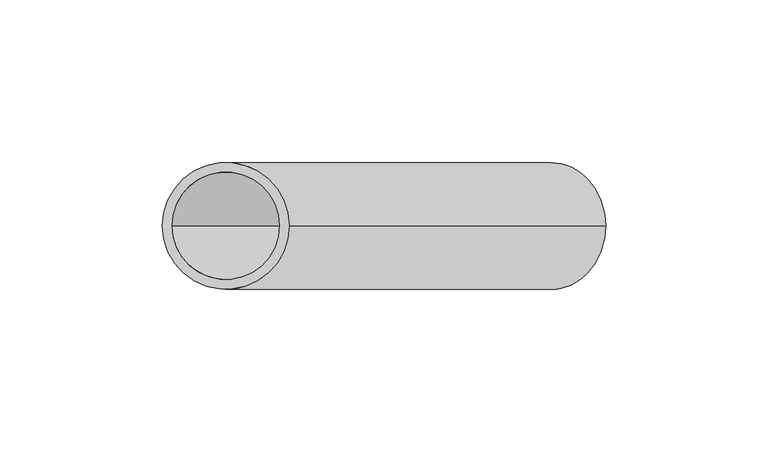
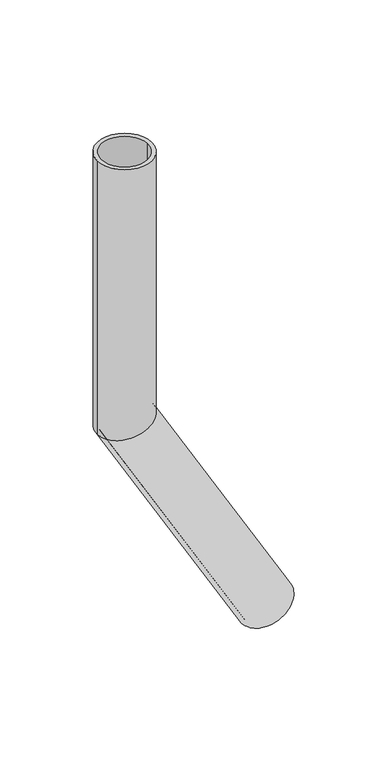
"""IFC4 building model written with IfcOpenShell, lengths in millimetres: beam geometry."""

from ifc_helpers import new_model, si_unit, frame, origin, place, context, project, spatial, polyline, circle_curve, ellipse_curve, source, transform, mapped, element, save
from ifc_brep_helpers import plane_surface, cylinder_surface, revolved_surface, advanced_brep


def beam_cea5e1e0(model_context):
    return source(origin(), model_context, "Body", "AdvancedBrep", [
        advanced_brep(
        [(116.8874954, 0.0, -363.4550808), (83.1125046, 0.0, -382.9550808), (114.2894192, 0.0, -364.9550808), (85.7105808, 0.0, -381.4550808), (19.5, 0.0, 0.0), (-19.5, 0.0, 0.0), (16.5, 0.0, 0.0), (-16.5, 0.0, 0.0), (16.5, 0.0, -195.5788383), (0.0, -16.5, -200.0), (-16.5, 0.0, -204.4211617), (0.0, 16.5, -200.0), (19.5, 0.0, -194.7749907), (-19.5, 0.0, -205.2250093)],
        [
            (0, 1, circle_curve(frame((100.0, 0.0, -373.2050808), z_axis=(0.5000000000000633, 0.0, -0.8660254037844022), x_axis=(-0.8660254037844022, 0.0, -0.5000000000000633)), 19.5)),
            (1, 0, circle_curve(frame((100.0, 0.0, -373.2050808), z_axis=(0.5000000000000633, 0.0, -0.8660254037844022), x_axis=(-0.8660254037844022, 0.0, -0.5000000000000633)), 19.5)),
            (2, 3, circle_curve(frame((100.0, 0.0, -373.2050808), z_axis=(-0.5000000000000633, 0.0, 0.8660254037844022), x_axis=(-0.8660254037844022, 0.0, -0.5000000000000633)), 16.5)),
            (3, 2, circle_curve(frame((100.0, 0.0, -373.2050808), z_axis=(-0.5000000000000633, 0.0, 0.8660254037844022), x_axis=(-0.8660254037844022, 0.0, -0.5000000000000633)), 16.5)),
            (4, 5, circle_curve(frame((0.0, 0.0, 0.0), z_axis=(0.0, 0.0, 1.0), x_axis=(-1.0, 0.0, 0.0)), 19.5)),
            (5, 4, circle_curve(frame((0.0, 0.0, 0.0), z_axis=(0.0, 0.0, 1.0), x_axis=(-1.0, 0.0, 0.0)), 19.5)),
            (6, 7, circle_curve(frame((0.0, 0.0, 0.0), z_axis=(0.0, 0.0, -1.0), x_axis=(-1.0, 0.0, 0.0)), 16.5)),
            (7, 6, circle_curve(frame((0.0, 0.0, 0.0), z_axis=(0.0, 0.0, -1.0), x_axis=(-1.0, 0.0, 0.0)), 16.5)),
            (6, 8),
            (8, 9, ellipse_curve(frame((0.0, 0.0, -200.0), z_axis=(0.25881904510255604, 0.0, -0.9659258262890589), x_axis=(0.9659258262890589, 0.0, 0.25881904510255593)), 17.082057, 16.5)),
            (9, 10, ellipse_curve(frame((0.0, 0.0, -200.0), z_axis=(0.25881904510255604, 0.0, -0.9659258262890589), x_axis=(0.9659258262890589, 0.0, 0.25881904510255593)), 17.082057, 16.5)),
            (10, 7),
            (10, 11, ellipse_curve(frame((0.0, 0.0, -200.0), z_axis=(0.25881904510255604, 0.0, -0.9659258262890589), x_axis=(0.9659258262890589, 0.0, 0.25881904510255593)), 17.082057, 16.5)),
            (11, 8, ellipse_curve(frame((0.0, 0.0, -200.0), z_axis=(0.25881904510255604, 0.0, -0.9659258262890589), x_axis=(0.9659258262890589, 0.0, 0.25881904510255593)), 17.082057, 16.5)),
            (4, 12),
            (12, 13, ellipse_curve(frame((0.0, 0.0, -200.0), z_axis=(-0.25881904510255604, 0.0, 0.9659258262890589), x_axis=(-0.9659258262890589, 0.0, -0.25881904510255593)), 20.1878855, 19.5)),
            (13, 5),
            (13, 12, ellipse_curve(frame((0.0, 0.0, -200.0), z_axis=(-0.25881904510255604, 0.0, 0.9659258262890589), x_axis=(-0.9659258262890589, 0.0, -0.25881904510255593)), 20.1878855, 19.5)),
            (2, 8),
            (10, 3),
            (0, 12),
            (13, 1),
        ],
        [
            plane_surface(frame((100.0, 0.0, -373.2050808), z_axis=(0.5000000000000633, 0.0, -0.8660254037844022), x_axis=(0.0, -1.0, 0.0))),
            plane_surface(frame((0.0, 0.0, 0.0), z_axis=(0.0, 0.0, 1.0), x_axis=(0.0, -1.0, 0.0))),
            revolved_surface(polyline([(-16.5, 0.0, 0.0), (-16.5, 0.0, -204.4211617)]), (0.0, 0.0, -200.0), (0.0, 0.0, 1.0)),
            cylinder_surface(frame((0.0, 0.0, -200.0), z_axis=(0.0, 0.0, -1.0), x_axis=(-1.0, 0.0, 0.0)), 19.5),
            revolved_surface(polyline([(-16.50000002168747, 0.0, -204.42116168069185), (85.71058084694715, 0.0, -381.4550808162646)]), (100.0, 0.0, -373.2050808), (-0.5000000000000633, 0.0, 0.8660254037844022)),
            cylinder_surface(frame((100.0, 0.0, -373.2050808), z_axis=(0.5000000000000633, 0.0, -0.8660254037844022), x_axis=(-0.8660254037844022, 0.0, -0.5000000000000633)), 19.5),
        ],
        [
            (0, [[1, 2], [3, 4]]),
            (1, [[5, 6], [7, 8]]),
            (2, [[-7, 9, 10, 11, 12]]),
            (2, [[-8, -12, 13, 14, -9]]),
            (3, [[-5, 15, 16, 17]]),
            (3, [[-6, -17, 18, -15]]),
            (4, [[-3, 19, -14, -13, 20]]),
            (4, [[-4, -20, -11, -10, -19]]),
            (5, [[-1, 21, -18, 22]]),
            (5, [[-2, -22, -16, -21]]),
        ],
    ),
    ])


if __name__ == "__main__":
    model = new_model("IFC4")
    model_context = context("Model", 3, world=origin())
    ifc_project = project(units=[si_unit("LENGTHUNIT", "METRE", prefix="MILLI")], contexts=[model_context])
    site = spatial("IfcSite", under=ifc_project)
    building = spatial("IfcBuilding", under=site)
    placement = place(None, origin())
    beam_shape = beam_cea5e1e0(model_context)
    element("IfcBeam", 1, at=placement, inside=building, context=model_context, shape_type="MappedRepresentation", body=[
        mapped(beam_shape, transform((0.0, 0.0, 0.0), x_axis=(1.0, 0.0, 0.0), y_axis=(0.0, 1.0, 0.0), z_axis=(0.0, 0.0, 1.0))),
    ])
    save(model, "model.ifc")
